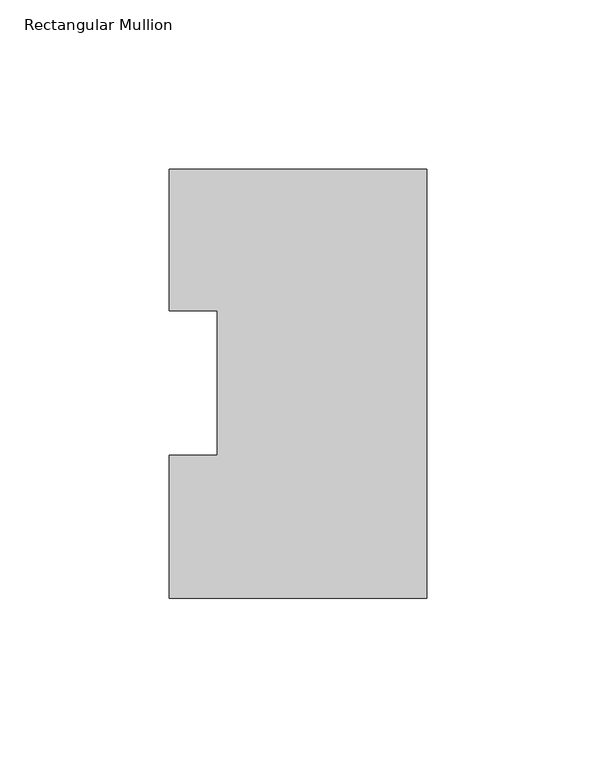
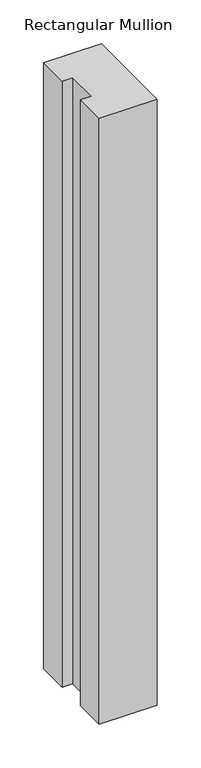
"""IFC4 building model written with IfcOpenShell, lengths in millimetres: member geometry, Rectangular Mullion."""

from ifc_helpers import new_model, si_unit, frame, origin, place, context, project, spatial, polyline, outline, extrude, source, transform, mapped, element, save


def rectangular_mullion_06de0f26(model_context):
    return source(origin(), model_context, "Body", "SweptSolid", [
        extrude(outline(polyline([(-61.9139549, 85.1296875), (-76.1989149, 85.1296875), (-76.1989149, 126.9888875), (0.0, 126.9888875), (0.0, -0.0111125), (-76.1989149, -0.0111125), (-76.1989149, 42.2798875), (-61.9139549, 42.2798875), (-61.9139549, 85.1296875)])), frame((0.0, 0.0, -844.55), z_axis=(0.0, 0.0, 1.0), x_axis=(1.0, 0.0, 0.0)), (0.0, 0.0, 1.0), 844.55),
    ])


if __name__ == "__main__":
    model = new_model("IFC4")
    model_context = context("Model", 3, world=origin())
    ifc_project = project(units=[si_unit("LENGTHUNIT", "METRE", prefix="MILLI")], contexts=[model_context])
    site = spatial("IfcSite", under=ifc_project)
    building = spatial("IfcBuilding", under=site)
    placement = place(None, origin())
    rectangular_mullion_shape = rectangular_mullion_06de0f26(model_context)
    element("IfcMember", 1, ObjectType="Rectangular Mullion", at=placement, inside=building, context=model_context, shape_type="MappedRepresentation", body=[
        mapped(rectangular_mullion_shape, transform((0.0, 0.0, 0.0), x_axis=(1.0, 0.0, 0.0), y_axis=(0.0, 1.0, 0.0), z_axis=(0.0, 0.0, 1.0))),
    ])
    save(model, "model.ifc")
